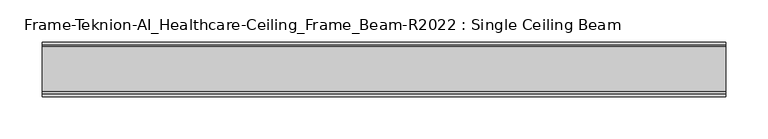
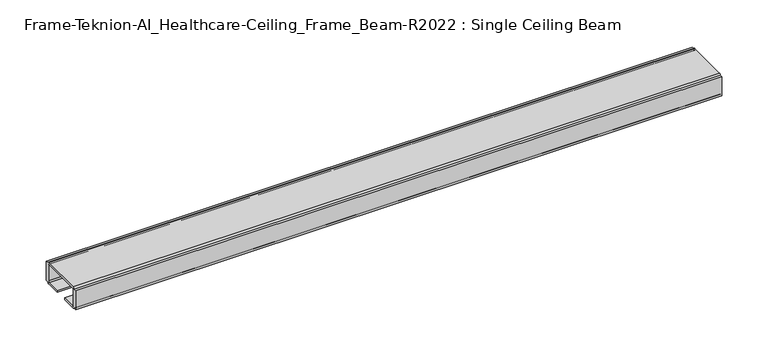
"""IFC4 building model written with IfcOpenShell, lengths in millimetres: furniture geometry, Frame-Teknion-AI_Healthcare-Ceiling_Frame_Beam-R2022 : Single Ceiling Beam."""

from ifc_helpers import new_model, si_unit, point, frame, frame_2d, origin, place, context, project, spatial, polyline, circle_curve, trimmed, segment, composite_curve, outline, extrude, source, transform, mapped, element, save


def frame_teknion_ai_healthcare_ceiling_frame_beam_r2022_single_361eb431(model_context):
    return source(origin(), model_context, "Body", "SweptSolid", [
        extrude(outline(composite_curve([segment(polyline([(32.174996, 1573.5046), (28.999999, 1573.5046), (28.999999, 1574.6129989)]), True, "CONTINUOUS"), segment(trimmed(circle_curve(frame_2d((26.5869991, 1574.6129989)), 2.413), [point((28.999999, 1574.6129989))], [point((26.5869991, 1572.199999))], False, "CARTESIAN"), True, "CONTINUOUS"), segment(polyline([(26.5869991, 1572.199999), (7.9374947, 1572.199999), (7.9374947, 1574.4859991), (25.4440002, 1574.4859991)]), True, "CONTINUOUS"), segment(trimmed(circle_curve(frame_2d((25.4440002, 1576.0099999)), 1.5240008), [point((25.4440002, 1574.4859991))], [point((26.968001, 1576.0099999))], True, "CARTESIAN"), True, "CONTINUOUS"), segment(polyline([(26.968001, 1576.0099999), (26.968001, 1597.1520009)]), True, "CONTINUOUS"), segment(trimmed(circle_curve(frame_2d((25.9520019, 1597.1520009)), 1.015999), [point((26.968001, 1597.1520009))], [point((25.9520019, 1598.168))], True, "CARTESIAN"), True, "CONTINUOUS"), segment(polyline([(25.9520019, 1598.168), (-25.9520019, 1598.168)]), True, "CONTINUOUS"), segment(trimmed(circle_curve(frame_2d((-25.9520019, 1597.1520009)), 1.015999), [point((-25.9520019, 1598.168))], [point((-26.968001, 1597.1520009))], True, "CARTESIAN"), True, "CONTINUOUS"), segment(polyline([(-26.968001, 1597.1520009), (-26.968001, 1576.0099999)]), True, "CONTINUOUS"), segment(trimmed(circle_curve(frame_2d((-25.4440002, 1576.0099999)), 1.5240008), [point((-26.968001, 1576.0099999))], [point((-25.4440002, 1574.4859991))], True, "CARTESIAN"), True, "CONTINUOUS"), segment(polyline([(-25.4440002, 1574.4859991), (-7.9374947, 1574.4859991), (-7.9374947, 1572.199999), (-26.5869991, 1572.199999)]), True, "CONTINUOUS"), segment(trimmed(circle_curve(frame_2d((-26.5869991, 1574.6129989)), 2.413), [point((-26.5869991, 1572.199999))], [point((-28.999999, 1574.6129989))], False, "CARTESIAN"), True, "CONTINUOUS"), segment(polyline([(-28.999999, 1574.6129989), (-28.999999, 1573.5046), (-32.174996, 1573.5046), (-32.174996, 1598.9045998), (-28.999999, 1598.9045998), (-28.999999, 1597.787)]), True, "CONTINUOUS"), segment(trimmed(circle_curve(frame_2d((-26.5869991, 1597.787)), 2.413), [point((-28.999999, 1597.787))], [point((-26.5869991, 1600.2))], False, "CARTESIAN"), True, "CONTINUOUS"), segment(polyline([(-26.5869991, 1600.2), (26.5869991, 1600.2)]), True, "CONTINUOUS"), segment(trimmed(circle_curve(frame_2d((26.5869991, 1597.787)), 2.413), [point((26.5869991, 1600.2))], [point((28.999999, 1597.787))], False, "CARTESIAN"), True, "CONTINUOUS"), segment(polyline([(28.999999, 1597.787), (28.999999, 1598.9045998), (32.174996, 1598.9045998), (32.174996, 1573.5046)]), True, "CONTINUOUS")], self_intersect=False)), frame((-404.5204, 0.0, 0.0), z_axis=(1.0, 0.0, 0.0), x_axis=(0.0, 1.0, 0.0)), (0.0, 0.0, 1.0), 809.0408),
    ])


if __name__ == "__main__":
    model = new_model("IFC4")
    model_context = context("Model", 3, world=origin())
    ifc_project = project(units=[si_unit("LENGTHUNIT", "METRE", prefix="MILLI")], contexts=[model_context])
    site = spatial("IfcSite", under=ifc_project)
    building = spatial("IfcBuilding", under=site)
    placement = place(None, origin())
    frame_teknion_ai_healthcare_ceiling_frame_beam_r2022_single_shape = frame_teknion_ai_healthcare_ceiling_frame_beam_r2022_single_361eb431(model_context)
    element("IfcFurniture", 1, ObjectType="Frame-Teknion-AI_Healthcare-Ceiling_Frame_Beam-R2022 : Single Ceiling Beam", at=placement, inside=building, context=model_context, shape_type="MappedRepresentation", body=[
        mapped(frame_teknion_ai_healthcare_ceiling_frame_beam_r2022_single_shape, transform((0.0, 0.0, 0.0), x_axis=(1.0, 0.0, 0.0), y_axis=(0.0, 1.0, 0.0), z_axis=(0.0, 0.0, 1.0))),
    ])
    save(model, "model.ifc")
